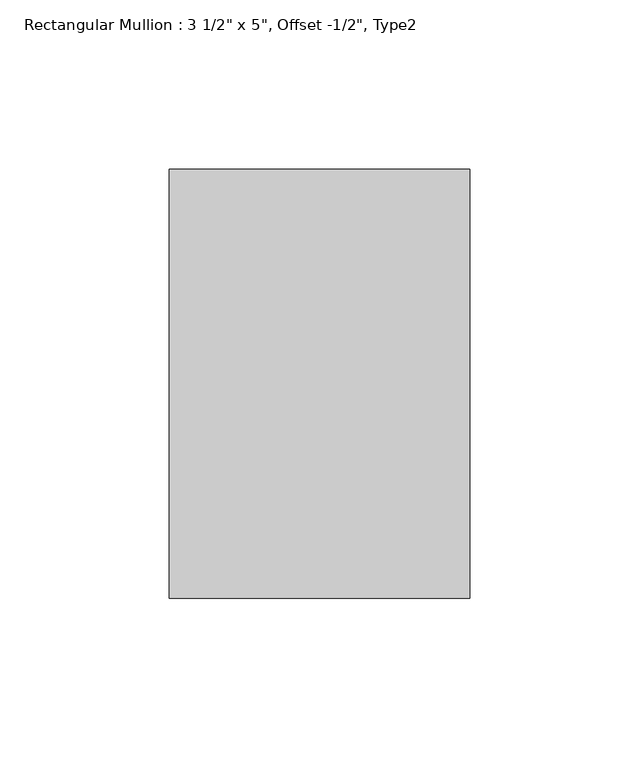
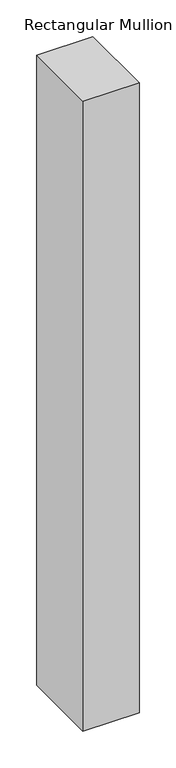
"""IFC4 building model written with IfcOpenShell, lengths in millimetres: member geometry."""

from ifc_helpers import new_model, si_unit, frame, origin, place, context, project, spatial, polyline, outline, extrude, source, transform, mapped, element, save


def member_7e5fff4d(model_context):
    return source(origin(), model_context, "Body", "SweptSolid", [
        extrude(outline(polyline([(0.0, 76.2), (0.0, -50.8), (-88.9, -50.8), (-88.9, 76.2), (0.0, 76.2)])), frame((0.0, 0.0, -1054.1), z_axis=(0.0, 0.0, 1.0), x_axis=(1.0, 0.0, 0.0)), (0.0, 0.0, 1.0), 1054.1),
    ])


if __name__ == "__main__":
    model = new_model("IFC4")
    model_context = context("Model", 3, world=origin())
    ifc_project = project(units=[si_unit("LENGTHUNIT", "METRE", prefix="MILLI")], contexts=[model_context])
    site = spatial("IfcSite", under=ifc_project)
    building = spatial("IfcBuilding", under=site)
    placement = place(None, origin())
    member_shape = member_7e5fff4d(model_context)
    element("IfcMember", 1, ObjectType="Rectangular Mullion : 3 1/2\" x 5\", Offset -1/2\", Type2", at=placement, inside=building, context=model_context, shape_type="MappedRepresentation", body=[
        mapped(member_shape, transform((0.0, 0.0, 0.0), x_axis=(1.0, 0.0, 0.0), y_axis=(0.0, 1.0, 0.0), z_axis=(0.0, 0.0, 1.0))),
    ])
    save(model, "model.ifc")
